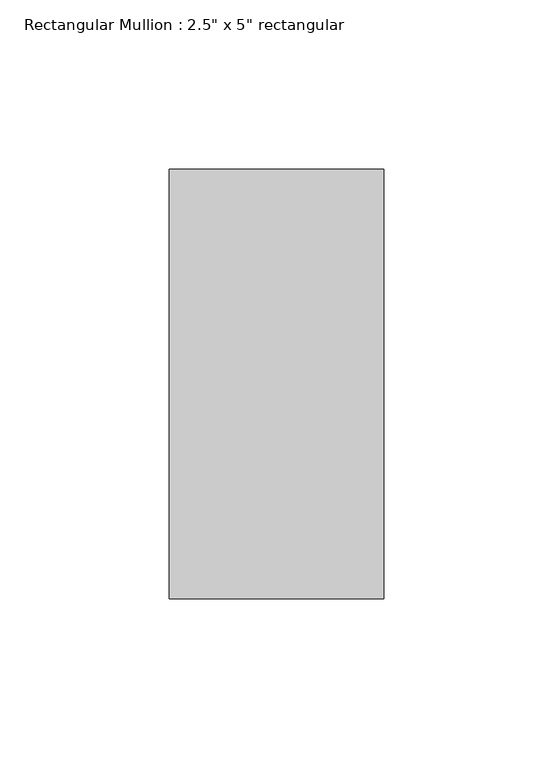
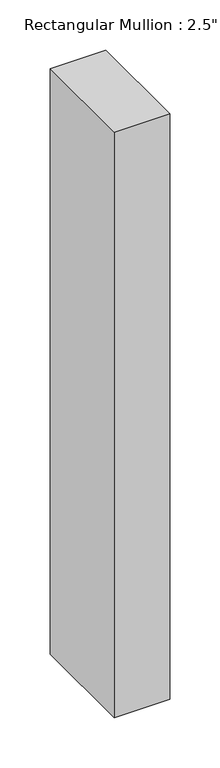
"""IFC4 building model written with IfcOpenShell, lengths in millimetres: member geometry."""

import ifcopenshell
import ifcopenshell.guid

model = None  # the IFC model being written
_history = None  # IfcOwnerHistory: only IFC2X3 demands one
_inside = {}  # id of a spatial element -> (the spatial element, [elements in it])
_under = {}  # id of a project, library or spatial element -> (it, [spatial elements below it])
_declared = {}  # id of a project -> (the project, [libraries it declares])
_typed = {}  # id of a type object -> (the type object, [elements of that type])
_made_of = {}  # id of a material, layer set ... -> (it, [elements and type objects made of it])


def new_model(schema):
    """Start an empty IFC model of exactly this schema.

    Asked for "IFC4X3", IfcOpenShell would pick the latest addendum, in which some entities
    have other attributes; the version numbers below select the first issue.
    IFC2X3 requires an IfcOwnerHistory on every rooted entity: one is made here for all.
    """
    global model, _history
    if schema == "IFC4X3":
        model = ifcopenshell.file(schema_version=(4, 3, 0, 0))
    else:
        model = ifcopenshell.file(schema=schema)
    _inside.clear()
    _under.clear()
    _declared.clear()
    _typed.clear()
    _made_of.clear()
    _history = None
    if model.schema == "IFC2X3":
        org = make("IfcOrganization", Name="unknown")
        user = make(
            "IfcPersonAndOrganization",
            ThePerson=make("IfcPerson", FamilyName="unknown"),
            TheOrganization=org,
        )
        app = make(
            "IfcApplication",
            ApplicationDeveloper=org,
            Version="unknown",
            ApplicationFullName="unknown",
            ApplicationIdentifier="unknown",
        )
        _history = make(
            "IfcOwnerHistory",
            OwningUser=user,
            OwningApplication=app,
            ChangeAction="ADDED",
            CreationDate=0,
        )
    return model


def make(cls, **values):
    """One entity of the class cls with the attributes given. An attribute that is None is left unset."""
    return model.create_entity(
        cls, **{name: value for name, value in values.items() if value is not None}
    )


def rooted(cls, **values):
    """An entity with a GlobalId (a new one), such as an element, a storey or a relation."""
    return make(cls, GlobalId=ifcopenshell.guid.new(), OwnerHistory=_history, **values)


def si_unit(unit_type, name, prefix=None):
    """IfcSIUnit, for example si_unit("LENGTHUNIT", "METRE", prefix="MILLI")."""
    return make("IfcSIUnit", UnitType=unit_type, Prefix=prefix, Name=name)


def assignment(units):
    """IfcUnitAssignment: the units of a project."""
    return None if units is None else make("IfcUnitAssignment", Units=units)


def point(xyz):
    """IfcCartesianPoint."""
    return None if xyz is None else make("IfcCartesianPoint", Coordinates=xyz)


def direction(xyz):
    """IfcDirection."""
    return None if xyz is None else make("IfcDirection", DirectionRatios=xyz)


def frame(location, z_axis=None, x_axis=None):
    """IfcAxis2Placement3D, a coordinate frame: its origin and axes. An axis left out is left unset."""
    return make(
        "IfcAxis2Placement3D",
        Location=point(location),
        Axis=direction(z_axis),
        RefDirection=direction(x_axis),
    )


def origin():
    """The frame at (0, 0, 0) with its axes left unset."""
    return frame((0.0, 0.0, 0.0))


def place(relative_to, where):
    """IfcLocalPlacement: puts the frame where relative to a parent placement (None: the world)."""
    return make(
        "IfcLocalPlacement", PlacementRelTo=relative_to, RelativePlacement=where
    )


def context(
    kind, dimensions, precision=None, world=None, true_north=None, identifier=None
):
    """IfcGeometricRepresentationContext, for example the 3D "Model" context."""
    return make(
        "IfcGeometricRepresentationContext",
        ContextIdentifier=identifier,
        ContextType=kind,
        CoordinateSpaceDimension=dimensions,
        Precision=precision,
        WorldCoordinateSystem=world,
        TrueNorth=true_north,
    )


def project(units=None, contexts=None):
    """IfcProject with its units and contexts."""
    return rooted(
        "IfcProject",
        Name="project",
        RepresentationContexts=contexts,
        UnitsInContext=assignment(units),
    )


def spatial(cls, under=None, at=None, **own):
    """A site, building, storey or space (cls), placed at a placement, below another one or the project."""
    s = rooted(cls, ObjectPlacement=at, **own)
    if under is not None:
        _under.setdefault(under.id(), (under, []))[1].append(s)
    return s


def polyline(points):
    """IfcPolyline through the points."""
    return make("IfcPolyline", Points=[point(p) for p in points])


def outline(outer, holes=None, kind="AREA"):
    """IfcArbitraryClosedProfileDef: a profile drawn as a closed curve; with holes, ...WithVoids."""
    if holes is None:
        return make("IfcArbitraryClosedProfileDef", ProfileType=kind, OuterCurve=outer)
    return make(
        "IfcArbitraryProfileDefWithVoids",
        ProfileType=kind,
        OuterCurve=outer,
        InnerCurves=holes,
    )


def extrude(swept, where, along, depth):
    """IfcExtrudedAreaSolid: the profile swept, set in the frame where, extruded along a direction by depth."""
    return make(
        "IfcExtrudedAreaSolid",
        SweptArea=swept,
        Position=where,
        ExtrudedDirection=direction(along),
        Depth=depth,
    )


def shape(context_of_items, identifier, shape_type, items):
    """IfcShapeRepresentation: the items that make up one representation, for example the "Body"."""
    return make(
        "IfcShapeRepresentation",
        ContextOfItems=context_of_items,
        RepresentationIdentifier=identifier,
        RepresentationType=shape_type,
        Items=items,
    )


def source(mapping_origin, context_of_items, identifier, shape_type, items):
    """IfcRepresentationMap: a shape defined once, which mapped items show again and again."""
    return make(
        "IfcRepresentationMap",
        MappingOrigin=mapping_origin,
        MappedRepresentation=shape(context_of_items, identifier, shape_type, items),
    )


def transform(
    local_origin,
    x_axis=None,
    y_axis=None,
    z_axis=None,
    scale=None,
    scale2=None,
    scale3=None,
    uniform=True,
):
    """IfcCartesianTransformationOperator3D, or its non-uniform kind. x_axis, y_axis, z_axis: its Axis1, 2, 3."""
    if uniform:
        return make(
            "IfcCartesianTransformationOperator3D",
            Axis1=direction(x_axis),
            Axis2=direction(y_axis),
            LocalOrigin=point(local_origin),
            Scale=scale,
            Axis3=direction(z_axis),
        )
    return make(
        "IfcCartesianTransformationOperator3DnonUniform",
        Axis1=direction(x_axis),
        Axis2=direction(y_axis),
        LocalOrigin=point(local_origin),
        Scale=scale,
        Axis3=direction(z_axis),
        Scale2=scale2,
        Scale3=scale3,
    )


def mapped(mapping_source, mapping_target):
    """IfcMappedItem: shows the shape of a source again, moved by a transform."""
    return make(
        "IfcMappedItem", MappingSource=mapping_source, MappingTarget=mapping_target
    )


def made_of(thing, what):
    """Note that an element or type object is made of a material, layer set ...; save() writes the relation."""
    if what is not None:
        _made_of.setdefault(what.id(), (what, []))[1].append(thing)
    return thing


def element(
    cls,
    number,
    at=None,
    inside=None,
    cuts=None,
    type_object=None,
    material=None,
    context=None,
    identifier="Body",
    shape_type=None,
    held_by="IfcProductDefinitionShape",
    body=None,
    shapes=None,
    **own,
):
    """One element of the class cls, such as IfcWall. Its Tag is "e" and its number.

    at: its placement. inside: the storey or other place that contains it. cuts: it is an
    opening in that element (IfcRelVoidsElement). A single representation is given by context,
    identifier, shape_type and body (its items); several are given by shapes. held_by: the class
    of the entity that holds the representations. save() writes the other relations.
    """
    e = rooted(cls, Tag="e%d" % number, ObjectPlacement=at, **own)
    if body is not None:
        shapes = [shape(context, identifier, shape_type, body)]
    if shapes is not None:
        e.Representation = make(held_by, Representations=shapes)
    if inside is not None:
        _inside.setdefault(inside.id(), (inside, []))[1].append(e)
    if cuts is not None:
        rooted(
            "IfcRelVoidsElement", RelatingBuildingElement=cuts, RelatedOpeningElement=e
        )
    if type_object is not None:
        _typed.setdefault(type_object.id(), (type_object, []))[1].append(e)
    return made_of(e, material)


def aggregate(whole, parts):
    """IfcRelAggregates: a whole, such as a stair, and the parts it consists of."""
    return rooted("IfcRelAggregates", RelatingObject=whole, RelatedObjects=parts)


def save(model, path):
    """Write the relations noted so far, then the file.

    IfcRelAggregates (storeys below a building ...), IfcRelContainedInSpatialStructure (elements
    in a storey), IfcRelDefinesByType, IfcRelAssociatesMaterial and IfcRelDeclares: one each for
    every whole, place, type object, material and project.
    """
    for whole, parts in _under.values():
        aggregate(whole, parts)
    for where, things in _inside.values():
        rooted(
            "IfcRelContainedInSpatialStructure",
            RelatedElements=things,
            RelatingStructure=where,
        )
    for kind, things in _typed.values():
        rooted("IfcRelDefinesByType", RelatedObjects=things, RelatingType=kind)
    for what, things in _made_of.values():
        rooted("IfcRelAssociatesMaterial", RelatedObjects=things, RelatingMaterial=what)
    for by, libraries in _declared.values():
        rooted("IfcRelDeclares", RelatingContext=by, RelatedDefinitions=libraries)
    model.write(path)


def member_22f8712c(model_context):
    return source(origin(), model_context, "Body", "SweptSolid", [
        extrude(outline(polyline([(31.75, 63.5), (31.75, -63.5), (-31.75, -63.5), (-31.75, 63.5), (31.75, 63.5)])), frame((0.0, 0.0, -709.9299999), z_axis=(0.0, 0.0, 1.0), x_axis=(1.0, 0.0, 0.0)), (0.0, 0.0, 1.0), 709.9299999),
    ])


if __name__ == "__main__":
    model = new_model("IFC4")
    model_context = context("Model", 3, world=origin())
    ifc_project = project(units=[si_unit("LENGTHUNIT", "METRE", prefix="MILLI")], contexts=[model_context])
    site = spatial("IfcSite", under=ifc_project)
    building = spatial("IfcBuilding", under=site)
    placement = place(None, origin())
    member_shape = member_22f8712c(model_context)
    element("IfcMember", 1, ObjectType="Rectangular Mullion : 2.5\" x 5\" rectangular", at=placement, inside=building, context=model_context, shape_type="MappedRepresentation", body=[
        mapped(member_shape, transform((0.0, 0.0, 0.0), x_axis=(1.0, 0.0, 0.0), y_axis=(0.0, 1.0, 0.0), z_axis=(0.0, 0.0, 1.0))),
    ])
    save(model, "model.ifc")
